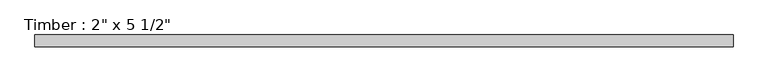
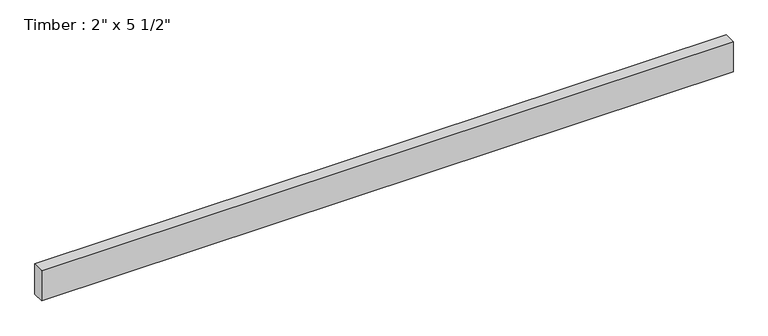
"""IFC4 building model written with IfcOpenShell, lengths in millimetres: beam geometry."""

from ifc_helpers import new_model, si_unit, frame, origin, place, context, project, spatial, polyline, outline, extrude, source, transform, mapped, element, save


def beam_022b5c9d(model_context):
    return source(origin(), model_context, "Body", "SweptSolid", [
        extrude(outline(polyline([(1509.5297246, 25.4), (1509.5297246, -25.4), (-1509.5297246, -25.4), (-1509.5297246, 25.4), (1509.5297246, 25.4)])), frame((0.0, 0.0, -69.85), z_axis=(0.0, 0.0, 1.0), x_axis=(1.0, 0.0, 0.0)), (0.0, 0.0, 1.0), 139.7),
    ])


if __name__ == "__main__":
    model = new_model("IFC4")
    model_context = context("Model", 3, world=origin())
    ifc_project = project(units=[si_unit("LENGTHUNIT", "METRE", prefix="MILLI")], contexts=[model_context])
    site = spatial("IfcSite", under=ifc_project)
    building = spatial("IfcBuilding", under=site)
    placement = place(None, origin())
    beam_shape = beam_022b5c9d(model_context)
    element("IfcBeam", 1, ObjectType="Timber : 2\" x 5 1/2\"", at=placement, inside=building, context=model_context, shape_type="MappedRepresentation", body=[
        mapped(beam_shape, transform((0.0, 0.0, 0.0), x_axis=(1.0, 0.0, 0.0), y_axis=(0.0, 1.0, 0.0), z_axis=(0.0, 0.0, 1.0))),
    ])
    save(model, "model.ifc")
